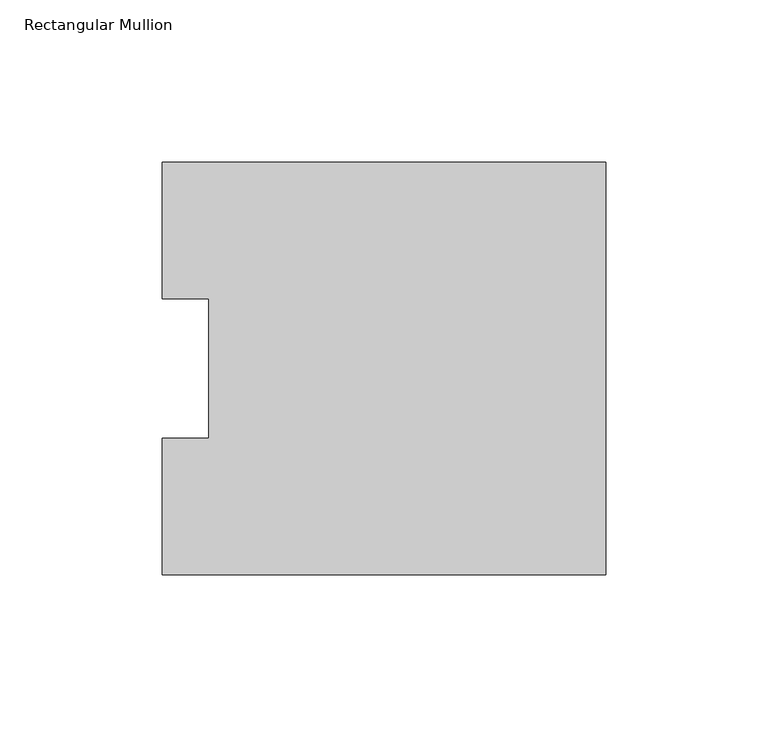
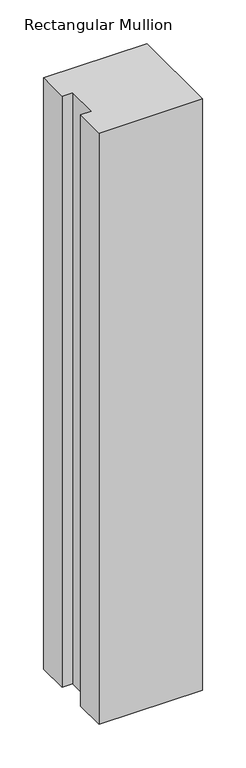
"""IFC4 building model written with IfcOpenShell, lengths in millimetres: member geometry, Rectangular Mullion."""

from ifc_helpers import new_model, si_unit, frame, origin, place, context, project, spatial, polyline, outline, extrude, source, transform, mapped, element, save


def rectangular_mullion_49fc5814(model_context):
    return source(origin(), model_context, "Body", "SweptSolid", [
        extrude(outline(polyline([(-136.525, 127.00635), (0.0, 127.00635), (0.0, 0.00635), (-136.525, 0.00635), (-136.525, 42.08145), (-122.2375, 42.08145), (-122.2375, 84.93125), (-136.525, 84.93125), (-136.525, 127.00635)])), frame((0.0, 0.0, -825.5177772), z_axis=(0.0, 0.0, 1.0), x_axis=(1.0, 0.0, 0.0)), (0.0, 0.0, 1.0), 825.5177772),
    ])


if __name__ == "__main__":
    model = new_model("IFC4")
    model_context = context("Model", 3, world=origin())
    ifc_project = project(units=[si_unit("LENGTHUNIT", "METRE", prefix="MILLI")], contexts=[model_context])
    site = spatial("IfcSite", under=ifc_project)
    building = spatial("IfcBuilding", under=site)
    placement = place(None, origin())
    rectangular_mullion_shape = rectangular_mullion_49fc5814(model_context)
    element("IfcMember", 1, ObjectType="Rectangular Mullion", at=placement, inside=building, context=model_context, shape_type="MappedRepresentation", body=[
        mapped(rectangular_mullion_shape, transform((0.0, 0.0, 0.0), x_axis=(1.0, 0.0, 0.0), y_axis=(0.0, 1.0, 0.0), z_axis=(0.0, 0.0, 1.0))),
    ])
    save(model, "model.ifc")
